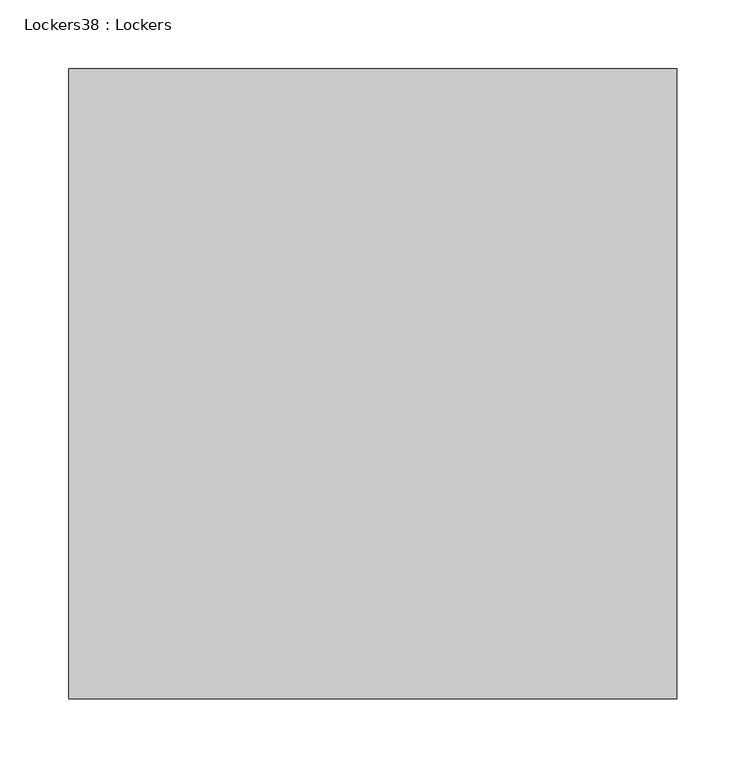
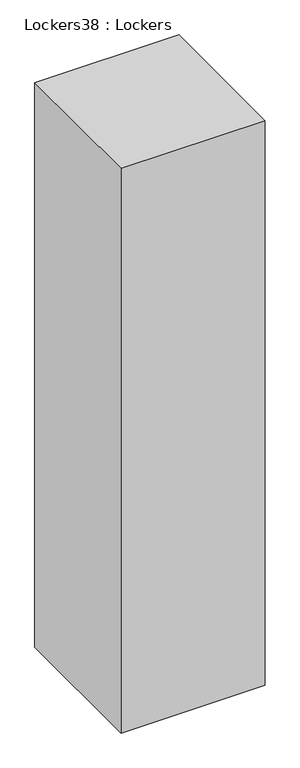
"""IFC4 building model written with IfcOpenShell, lengths in millimetres: furniture geometry, Lockers38 : Lockers."""

from ifc_helpers import new_model, si_unit, origin, origin_with_axes, place, context, project, spatial, polyline, outline, extrude, source, transform, mapped, element, save


def lockers38_lockers_42c6eaf4(model_context):
    return source(origin(), model_context, "Body", "SweptSolid", [
        extrude(outline(polyline([(-565173.2902128, -61628.1068258), (-565173.2902128, -62085.3068258), (-565614.6152128, -62085.3068258), (-565614.6152128, -61628.1068258), (-565173.2902128, -61628.1068258)])), origin_with_axes(), (0.0, 0.0, 1.0), 1828.8),
    ])


if __name__ == "__main__":
    model = new_model("IFC4")
    model_context = context("Model", 3, world=origin())
    ifc_project = project(units=[si_unit("LENGTHUNIT", "METRE", prefix="MILLI")], contexts=[model_context])
    site = spatial("IfcSite", under=ifc_project)
    building = spatial("IfcBuilding", under=site)
    placement = place(None, origin())
    lockers38_lockers_shape = lockers38_lockers_42c6eaf4(model_context)
    element("IfcFurniture", 1, ObjectType="Lockers38 : Lockers", at=placement, inside=building, context=model_context, shape_type="MappedRepresentation", body=[
        mapped(lockers38_lockers_shape, transform((0.0, 0.0, 0.0), x_axis=(1.0, 0.0, 0.0), y_axis=(0.0, 1.0, 0.0), z_axis=(0.0, 0.0, 1.0))),
    ])
    save(model, "model.ifc")
